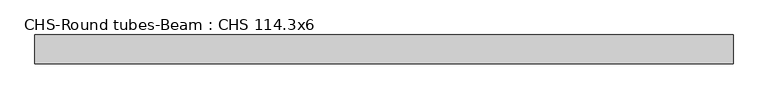
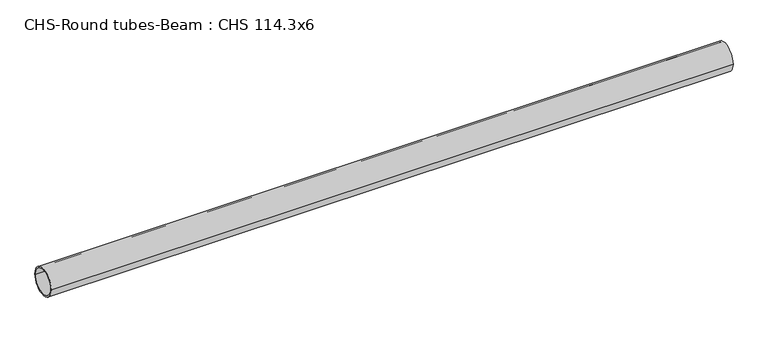
"""IFC4 building model written with IfcOpenShell, lengths in millimetres: beam geometry, CHS-Round tubes-Beam : CHS 114.3x6."""

import ifcopenshell
import ifcopenshell.guid

model = None  # the IFC model being written
_history = None  # IfcOwnerHistory: only IFC2X3 demands one
_inside = {}  # id of a spatial element -> (the spatial element, [elements in it])
_under = {}  # id of a project, library or spatial element -> (it, [spatial elements below it])
_declared = {}  # id of a project -> (the project, [libraries it declares])
_typed = {}  # id of a type object -> (the type object, [elements of that type])
_made_of = {}  # id of a material, layer set ... -> (it, [elements and type objects made of it])


def new_model(schema):
    """Start an empty IFC model of exactly this schema.

    Asked for "IFC4X3", IfcOpenShell would pick the latest addendum, in which some entities
    have other attributes; the version numbers below select the first issue.
    IFC2X3 requires an IfcOwnerHistory on every rooted entity: one is made here for all.
    """
    global model, _history
    if schema == "IFC4X3":
        model = ifcopenshell.file(schema_version=(4, 3, 0, 0))
    else:
        model = ifcopenshell.file(schema=schema)
    _inside.clear()
    _under.clear()
    _declared.clear()
    _typed.clear()
    _made_of.clear()
    _history = None
    if model.schema == "IFC2X3":
        org = make("IfcOrganization", Name="unknown")
        user = make(
            "IfcPersonAndOrganization",
            ThePerson=make("IfcPerson", FamilyName="unknown"),
            TheOrganization=org,
        )
        app = make(
            "IfcApplication",
            ApplicationDeveloper=org,
            Version="unknown",
            ApplicationFullName="unknown",
            ApplicationIdentifier="unknown",
        )
        _history = make(
            "IfcOwnerHistory",
            OwningUser=user,
            OwningApplication=app,
            ChangeAction="ADDED",
            CreationDate=0,
        )
    return model


def make(cls, **values):
    """One entity of the class cls with the attributes given. An attribute that is None is left unset."""
    return model.create_entity(
        cls, **{name: value for name, value in values.items() if value is not None}
    )


def rooted(cls, **values):
    """An entity with a GlobalId (a new one), such as an element, a storey or a relation."""
    return make(cls, GlobalId=ifcopenshell.guid.new(), OwnerHistory=_history, **values)


def si_unit(unit_type, name, prefix=None):
    """IfcSIUnit, for example si_unit("LENGTHUNIT", "METRE", prefix="MILLI")."""
    return make("IfcSIUnit", UnitType=unit_type, Prefix=prefix, Name=name)


def assignment(units):
    """IfcUnitAssignment: the units of a project."""
    return None if units is None else make("IfcUnitAssignment", Units=units)


def point(xyz):
    """IfcCartesianPoint."""
    return None if xyz is None else make("IfcCartesianPoint", Coordinates=xyz)


def direction(xyz):
    """IfcDirection."""
    return None if xyz is None else make("IfcDirection", DirectionRatios=xyz)


def frame(location, z_axis=None, x_axis=None):
    """IfcAxis2Placement3D, a coordinate frame: its origin and axes. An axis left out is left unset."""
    return make(
        "IfcAxis2Placement3D",
        Location=point(location),
        Axis=direction(z_axis),
        RefDirection=direction(x_axis),
    )


def frame_2d(location, x_axis=None):
    """IfcAxis2Placement2D, a coordinate frame in the plane: its origin and x axis."""
    return make(
        "IfcAxis2Placement2D", Location=point(location), RefDirection=direction(x_axis)
    )


def origin():
    """The frame at (0, 0, 0) with its axes left unset."""
    return frame((0.0, 0.0, 0.0))


def origin_2d():
    """The frame at (0, 0) in the plane with its x axis left unset."""
    return frame_2d((0.0, 0.0))


def place(relative_to, where):
    """IfcLocalPlacement: puts the frame where relative to a parent placement (None: the world)."""
    return make(
        "IfcLocalPlacement", PlacementRelTo=relative_to, RelativePlacement=where
    )


def context(
    kind, dimensions, precision=None, world=None, true_north=None, identifier=None
):
    """IfcGeometricRepresentationContext, for example the 3D "Model" context."""
    return make(
        "IfcGeometricRepresentationContext",
        ContextIdentifier=identifier,
        ContextType=kind,
        CoordinateSpaceDimension=dimensions,
        Precision=precision,
        WorldCoordinateSystem=world,
        TrueNorth=true_north,
    )


def project(units=None, contexts=None):
    """IfcProject with its units and contexts."""
    return rooted(
        "IfcProject",
        Name="project",
        RepresentationContexts=contexts,
        UnitsInContext=assignment(units),
    )


def spatial(cls, under=None, at=None, **own):
    """A site, building, storey or space (cls), placed at a placement, below another one or the project."""
    s = rooted(cls, ObjectPlacement=at, **own)
    if under is not None:
        _under.setdefault(under.id(), (under, []))[1].append(s)
    return s


def circle_curve(where, radius):
    """IfcCircle in the frame where."""
    return make("IfcCircle", Position=where, Radius=radius)


def trimmed(basis, trim1, trim2, sense, master):
    """IfcTrimmedCurve: the piece of a basis curve between two trims."""
    return make(
        "IfcTrimmedCurve",
        BasisCurve=basis,
        Trim1=trim1,
        Trim2=trim2,
        SenseAgreement=sense,
        MasterRepresentation=master,
    )


def segment(curve, same_sense, transition):
    """IfcCompositeCurveSegment."""
    return make(
        "IfcCompositeCurveSegment",
        Transition=transition,
        SameSense=same_sense,
        ParentCurve=curve,
    )


def composite_curve(segments, self_intersect=None):
    """IfcCompositeCurve: segments joined end to end."""
    return make("IfcCompositeCurve", Segments=segments, SelfIntersect=self_intersect)


def outline(outer, holes=None, kind="AREA"):
    """IfcArbitraryClosedProfileDef: a profile drawn as a closed curve; with holes, ...WithVoids."""
    if holes is None:
        return make("IfcArbitraryClosedProfileDef", ProfileType=kind, OuterCurve=outer)
    return make(
        "IfcArbitraryProfileDefWithVoids",
        ProfileType=kind,
        OuterCurve=outer,
        InnerCurves=holes,
    )


def extrude(swept, where, along, depth):
    """IfcExtrudedAreaSolid: the profile swept, set in the frame where, extruded along a direction by depth."""
    return make(
        "IfcExtrudedAreaSolid",
        SweptArea=swept,
        Position=where,
        ExtrudedDirection=direction(along),
        Depth=depth,
    )


def shape(context_of_items, identifier, shape_type, items):
    """IfcShapeRepresentation: the items that make up one representation, for example the "Body"."""
    return make(
        "IfcShapeRepresentation",
        ContextOfItems=context_of_items,
        RepresentationIdentifier=identifier,
        RepresentationType=shape_type,
        Items=items,
    )


def source(mapping_origin, context_of_items, identifier, shape_type, items):
    """IfcRepresentationMap: a shape defined once, which mapped items show again and again."""
    return make(
        "IfcRepresentationMap",
        MappingOrigin=mapping_origin,
        MappedRepresentation=shape(context_of_items, identifier, shape_type, items),
    )


def transform(
    local_origin,
    x_axis=None,
    y_axis=None,
    z_axis=None,
    scale=None,
    scale2=None,
    scale3=None,
    uniform=True,
):
    """IfcCartesianTransformationOperator3D, or its non-uniform kind. x_axis, y_axis, z_axis: its Axis1, 2, 3."""
    if uniform:
        return make(
            "IfcCartesianTransformationOperator3D",
            Axis1=direction(x_axis),
            Axis2=direction(y_axis),
            LocalOrigin=point(local_origin),
            Scale=scale,
            Axis3=direction(z_axis),
        )
    return make(
        "IfcCartesianTransformationOperator3DnonUniform",
        Axis1=direction(x_axis),
        Axis2=direction(y_axis),
        LocalOrigin=point(local_origin),
        Scale=scale,
        Axis3=direction(z_axis),
        Scale2=scale2,
        Scale3=scale3,
    )


def mapped(mapping_source, mapping_target):
    """IfcMappedItem: shows the shape of a source again, moved by a transform."""
    return make(
        "IfcMappedItem", MappingSource=mapping_source, MappingTarget=mapping_target
    )


def made_of(thing, what):
    """Note that an element or type object is made of a material, layer set ...; save() writes the relation."""
    if what is not None:
        _made_of.setdefault(what.id(), (what, []))[1].append(thing)
    return thing


def element(
    cls,
    number,
    at=None,
    inside=None,
    cuts=None,
    type_object=None,
    material=None,
    context=None,
    identifier="Body",
    shape_type=None,
    held_by="IfcProductDefinitionShape",
    body=None,
    shapes=None,
    **own,
):
    """One element of the class cls, such as IfcWall. Its Tag is "e" and its number.

    at: its placement. inside: the storey or other place that contains it. cuts: it is an
    opening in that element (IfcRelVoidsElement). A single representation is given by context,
    identifier, shape_type and body (its items); several are given by shapes. held_by: the class
    of the entity that holds the representations. save() writes the other relations.
    """
    e = rooted(cls, Tag="e%d" % number, ObjectPlacement=at, **own)
    if body is not None:
        shapes = [shape(context, identifier, shape_type, body)]
    if shapes is not None:
        e.Representation = make(held_by, Representations=shapes)
    if inside is not None:
        _inside.setdefault(inside.id(), (inside, []))[1].append(e)
    if cuts is not None:
        rooted(
            "IfcRelVoidsElement", RelatingBuildingElement=cuts, RelatedOpeningElement=e
        )
    if type_object is not None:
        _typed.setdefault(type_object.id(), (type_object, []))[1].append(e)
    return made_of(e, material)


def aggregate(whole, parts):
    """IfcRelAggregates: a whole, such as a stair, and the parts it consists of."""
    return rooted("IfcRelAggregates", RelatingObject=whole, RelatedObjects=parts)


def save(model, path):
    """Write the relations noted so far, then the file.

    IfcRelAggregates (storeys below a building ...), IfcRelContainedInSpatialStructure (elements
    in a storey), IfcRelDefinesByType, IfcRelAssociatesMaterial and IfcRelDeclares: one each for
    every whole, place, type object, material and project.
    """
    for whole, parts in _under.values():
        aggregate(whole, parts)
    for where, things in _inside.values():
        rooted(
            "IfcRelContainedInSpatialStructure",
            RelatedElements=things,
            RelatingStructure=where,
        )
    for kind, things in _typed.values():
        rooted("IfcRelDefinesByType", RelatedObjects=things, RelatingType=kind)
    for what, things in _made_of.values():
        rooted("IfcRelAssociatesMaterial", RelatedObjects=things, RelatingMaterial=what)
    for by, libraries in _declared.values():
        rooted("IfcRelDeclares", RelatingContext=by, RelatedDefinitions=libraries)
    model.write(path)


def chs_round_tubes_beam_chs_114_3x6_458aaa79(model_context):
    return source(origin(), model_context, "Body", "SweptSolid", [
        extrude(outline(composite_curve([segment(trimmed(circle_curve(origin_2d(), 57.15), [point((57.15, 0.0))], [point((-57.15, 0.0))], False, "CARTESIAN"), True, "CONTINUOUS"), segment(trimmed(circle_curve(origin_2d(), 57.15), [point((-57.15, 0.0))], [point((57.15, 0.0))], False, "CARTESIAN"), True, "CONTINUOUS")], self_intersect=False), holes=[composite_curve([segment(trimmed(circle_curve(origin_2d(), 51.15), [point((51.15, 0.0))], [point((-51.15, 0.0))], True, "CARTESIAN"), True, "CONTINUOUS"), segment(trimmed(circle_curve(origin_2d(), 51.15), [point((-51.15, 0.0))], [point((51.15, 0.0))], True, "CARTESIAN"), True, "CONTINUOUS")], self_intersect=False)]), frame((-1347.5151423, 0.0, 0.0), z_axis=(1.0, 0.0, 0.0), x_axis=(0.0, 1.0, 0.0)), (0.0, 0.0, 1.0), 2781.8039679),
    ])


if __name__ == "__main__":
    model = new_model("IFC4")
    model_context = context("Model", 3, world=origin())
    ifc_project = project(units=[si_unit("LENGTHUNIT", "METRE", prefix="MILLI")], contexts=[model_context])
    site = spatial("IfcSite", under=ifc_project)
    building = spatial("IfcBuilding", under=site)
    placement = place(None, origin())
    chs_round_tubes_beam_chs_114_3x6_shape = chs_round_tubes_beam_chs_114_3x6_458aaa79(model_context)
    element("IfcBeam", 1, ObjectType="CHS-Round tubes-Beam : CHS 114.3x6", at=placement, inside=building, context=model_context, shape_type="MappedRepresentation", body=[
        mapped(chs_round_tubes_beam_chs_114_3x6_shape, transform((0.0, 0.0, 0.0), x_axis=(1.0, 0.0, 0.0), y_axis=(0.0, 1.0, 0.0), z_axis=(0.0, 0.0, 1.0))),
    ])
    save(model, "model.ifc")
